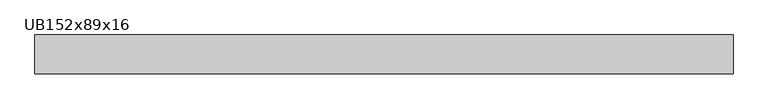
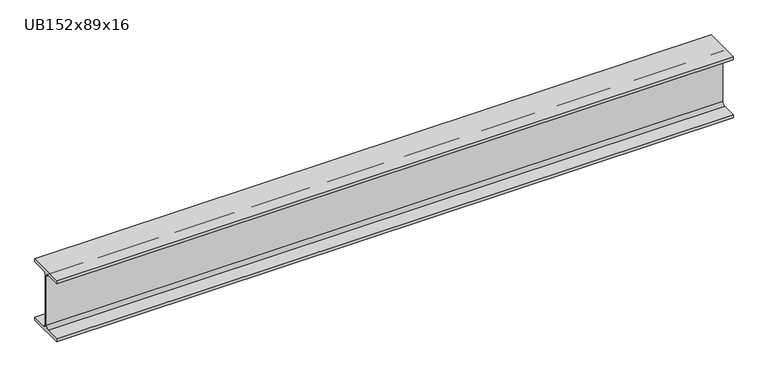
"""IFC4 building model written with IfcOpenShell, lengths in millimetres: beam geometry, UB152x89x16."""

from ifc_helpers import new_model, si_unit, point, frame, frame_2d, origin, place, context, project, spatial, polyline, circle_curve, trimmed, segment, composite_curve, outline, extrude, source, transform, mapped, element, save


def ub152x89x16_af49e022(model_context):
    return source(origin(), model_context, "Body", "SweptSolid", [
        extrude(outline(composite_curve([segment(polyline([(44.35, -68.5), (44.35, -76.2), (-44.35, -76.2), (-44.35, -68.5), (-9.85, -68.5)]), True, "CONTINUOUS"), segment(trimmed(circle_curve(frame_2d((-9.85, -60.9)), 7.6), [point((-9.85, -68.5))], [point((-2.25, -60.9))], True, "CARTESIAN"), True, "CONTINUOUS"), segment(polyline([(-2.25, -60.9), (-2.25, 60.9)]), True, "CONTINUOUS"), segment(trimmed(circle_curve(frame_2d((-9.85, 60.9)), 7.6), [point((-2.25, 60.9))], [point((-9.85, 68.5))], True, "CARTESIAN"), True, "CONTINUOUS"), segment(polyline([(-9.85, 68.5), (-44.35, 68.5), (-44.35, 76.2), (44.35, 76.2), (44.35, 68.5), (9.85, 68.5)]), True, "CONTINUOUS"), segment(trimmed(circle_curve(frame_2d((9.85, 60.9)), 7.6), [point((9.85, 68.5))], [point((2.25, 60.9))], True, "CARTESIAN"), True, "CONTINUOUS"), segment(polyline([(2.25, 60.9), (2.25, -60.9)]), True, "CONTINUOUS"), segment(trimmed(circle_curve(frame_2d((9.85, -60.9)), 7.6), [point((2.25, -60.9))], [point((9.85, -68.5))], True, "CARTESIAN"), True, "CONTINUOUS"), segment(polyline([(9.85, -68.5), (44.35, -68.5)]), True, "CONTINUOUS")], self_intersect=False)), frame((-794.5, 0.0, 0.0), z_axis=(1.0, 0.0, 0.0), x_axis=(0.0, 1.0, 0.0)), (0.0, 0.0, 1.0), 1589.0),
    ])


if __name__ == "__main__":
    model = new_model("IFC4")
    model_context = context("Model", 3, world=origin())
    ifc_project = project(units=[si_unit("LENGTHUNIT", "METRE", prefix="MILLI")], contexts=[model_context])
    site = spatial("IfcSite", under=ifc_project)
    building = spatial("IfcBuilding", under=site)
    placement = place(None, origin())
    ub152x89x16_shape = ub152x89x16_af49e022(model_context)
    element("IfcBeam", 1, ObjectType="UB152x89x16", at=placement, inside=building, context=model_context, shape_type="MappedRepresentation", body=[
        mapped(ub152x89x16_shape, transform((0.0, 0.0, 0.0), x_axis=(1.0, 0.0, 0.0), y_axis=(0.0, 1.0, 0.0), z_axis=(0.0, 0.0, 1.0))),
    ])
    save(model, "model.ifc")
